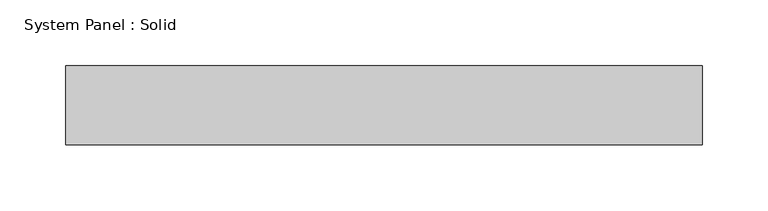
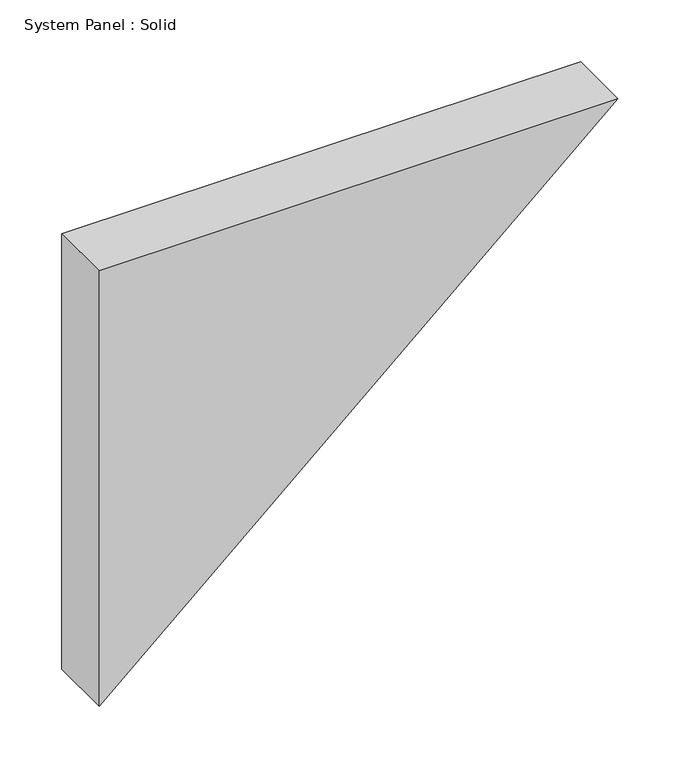
"""IFC4 building model written with IfcOpenShell, lengths in millimetres: plate geometry, System Panel : Solid."""

from ifc_helpers import new_model, si_unit, frame, origin, place, context, project, spatial, polyline, outline, extrude, source, transform, mapped, element, save


def system_panel_solid_aa2b55bc(model_context):
    return source(origin(), model_context, "Body", "SweptSolid", [
        extrude(outline(polyline([(429.1979958, -241.8847518), (0.0, -241.8847518), (429.1979958, 241.8847518), (429.1979958, -241.8847518)])), frame((0.0, -10.5, 0.0), z_axis=(0.0, 1.0, 0.0), x_axis=(0.0, 0.0, 1.0)), (0.0, 0.0, 1.0), 60.0),
    ])


if __name__ == "__main__":
    model = new_model("IFC4")
    model_context = context("Model", 3, world=origin())
    ifc_project = project(units=[si_unit("LENGTHUNIT", "METRE", prefix="MILLI")], contexts=[model_context])
    site = spatial("IfcSite", under=ifc_project)
    building = spatial("IfcBuilding", under=site)
    placement = place(None, origin())
    system_panel_solid_shape = system_panel_solid_aa2b55bc(model_context)
    element("IfcPlate", 1, ObjectType="System Panel : Solid", at=placement, inside=building, context=model_context, shape_type="MappedRepresentation", body=[
        mapped(system_panel_solid_shape, transform((0.0, 0.0, 0.0), x_axis=(1.0, 0.0, 0.0), y_axis=(0.0, 1.0, 0.0), z_axis=(0.0, 0.0, 1.0))),
    ])
    save(model, "model.ifc")
